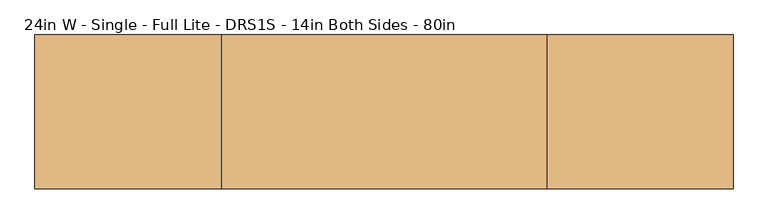
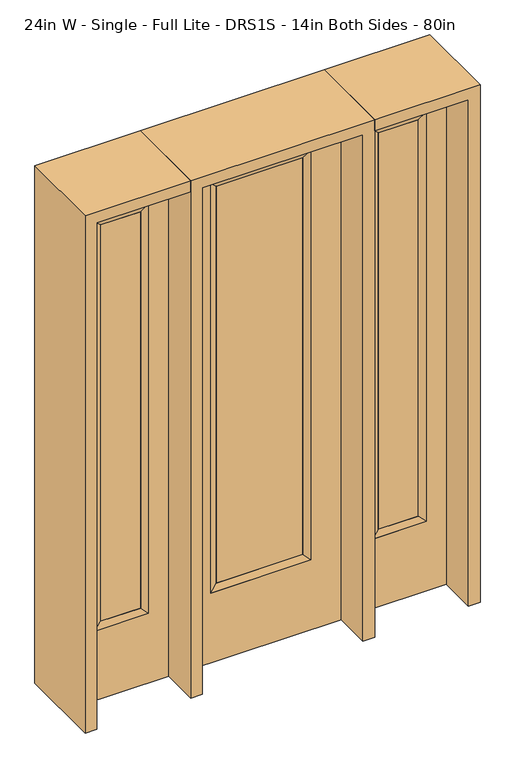
"""IFC4 building model written with IfcOpenShell, lengths in millimetres: door geometry, 24in W - Single - Full Lite - DRS1S - 14in Both Sides - 80in."""

from ifc_helpers import new_model, si_unit, frame, origin, place, context, project, spatial, polyline, outline, extrude, faceted_brep, source, transform, mapped, element, save


def door_24in_w_single_full_lite_drs1s_14in_both_sides_80in_7856f430(model_context):
    return source(origin(), model_context, "Body", "SolidModel", [
        extrude(outline(polyline([(163.9824, -12.7039749), (-163.9824, -12.7039749), (-163.9824, 14.2875), (163.9824, 14.2875), (163.9824, -12.7039749)])), frame((0.0, 0.0, 304.8), z_axis=(0.0, 0.0, 1.0), x_axis=(1.0, 0.0, 0.0)), (0.0, 0.0, 1.0), 1591.1576),
        faceted_brep([(163.9824, 14.2875, 1895.9576), (189.3824, 22.225, 1921.3576), (189.3824, 22.225, 279.4), (163.9824, 14.2875, 304.8), (189.3824, -22.225, 1921.3576), (189.3824, -22.225, 279.4), (-189.3824, 22.225, 279.4), (-163.9824, 14.2875, 304.8), (163.9824, -12.7039749, 1895.9576), (163.9824, -12.7039749, 304.8), (-163.9824, -12.7039749, 304.8), (-189.3824, -22.225, 279.4), (-189.3824, 22.225, 1921.3576), (-163.9824, 14.2875, 1895.9576), (-163.9824, -12.7039749, 1895.9576), (-189.3824, -22.225, 1921.3576)], [[[0, 1, 2, 3]], [[1, 4, 5, 2]], [[3, 2, 6, 7]], [[8, 0, 3, 9]], [[9, 3, 7, 10]], [[4, 8, 9, 5]], [[5, 9, 10, 11]], [[2, 5, 11, 6]], [[7, 6, 12, 13]], [[10, 7, 13, 14]], [[11, 10, 14, 15]], [[6, 11, 15, 12]], [[13, 12, 1, 0]], [[14, 13, 0, 8]], [[15, 14, 8, 4]], [[12, 15, 4, 1]]]),
        extrude(outline(polyline([(0.0, -304.8), (0.0, 304.8), (2032.0, 304.8), (2032.0, -304.8), (0.0, -304.8)]), holes=[polyline([(279.4, -189.3824), (1921.3576, -189.3824), (1921.3576, 189.3824), (279.4, 189.3824), (279.4, -189.3824)])]), frame((0.0, -22.225, 0.0), z_axis=(0.0, 1.0, 0.0), x_axis=(0.0, 0.0, 1.0)), (0.0, 0.0, 1.0), 44.45),
        faceted_brep([(425.45, 20.6375, 1920.875), (425.45, 20.6375, 279.4), (425.45, -20.6375, 279.4), (425.45, -20.6375, 1920.875), (450.85, -12.7, 304.8), (450.85, -12.7, 1895.475), (628.65, 20.6375, 279.4), (628.65, -20.6375, 279.4), (450.85, 12.7, 1895.475), (450.85, 12.7, 304.8), (603.25, 12.7, 304.8), (603.25, -12.7, 304.8), (628.65, 20.6375, 1920.875), (628.65, -20.6375, 1920.875), (603.25, 12.7, 1895.475), (603.25, -12.7, 1895.475)], [[[0, 1, 2, 3]], [[3, 2, 4, 5]], [[1, 6, 7, 2]], [[8, 9, 1, 0]], [[9, 10, 6, 1]], [[5, 4, 9, 8]], [[4, 11, 10, 9]], [[2, 7, 11, 4]], [[6, 12, 13, 7]], [[10, 14, 12, 6]], [[11, 15, 14, 10]], [[7, 13, 15, 11]], [[12, 0, 3, 13]], [[14, 8, 0, 12]], [[15, 5, 8, 14]], [[13, 3, 5, 15]]]),
        extrude(outline(polyline([(0.0, 704.85), (2032.0, 704.85), (2032.0, 349.25), (0.0, 349.25), (0.0, 704.85)]), holes=[polyline([(1920.875, 425.45), (1920.875, 628.65), (279.4, 628.65), (279.4, 425.45), (1920.875, 425.45)])]), frame((0.0, -20.6375, 0.0), z_axis=(0.0, 1.0, 0.0), x_axis=(0.0, 0.0, 1.0)), (0.0, 0.0, 1.0), 41.275),
        extrude(outline(polyline([(450.85, -12.7), (450.85, 12.7), (603.25, 12.7), (603.25, -12.7), (450.85, -12.7)])), frame((0.0, 0.0, 304.8), z_axis=(0.0, 0.0, 1.0), x_axis=(1.0, 0.0, 0.0)), (0.0, 0.0, 1.0), 1590.675),
        faceted_brep([(-425.45, 20.6375, 1920.875), (-425.45, -20.6375, 1920.875), (-425.45, -20.6375, 279.4), (-425.45, 20.6375, 279.4), (-450.85, -12.7, 1895.475), (-450.85, -12.7, 304.8), (-628.65, -20.6375, 279.4), (-628.65, 20.6375, 279.4), (-450.85, 12.7, 1895.475), (-450.85, 12.7, 304.8), (-603.25, 12.7, 304.8), (-603.25, -12.7, 304.8), (-628.65, -20.6375, 1920.875), (-628.65, 20.6375, 1920.875), (-603.25, 12.7, 1895.475), (-603.25, -12.7, 1895.475)], [[[0, 1, 2, 3]], [[1, 4, 5, 2]], [[3, 2, 6, 7]], [[8, 0, 3, 9]], [[9, 3, 7, 10]], [[4, 8, 9, 5]], [[5, 9, 10, 11]], [[2, 5, 11, 6]], [[7, 6, 12, 13]], [[10, 7, 13, 14]], [[11, 10, 14, 15]], [[6, 11, 15, 12]], [[13, 12, 1, 0]], [[14, 13, 0, 8]], [[15, 14, 8, 4]], [[12, 15, 4, 1]]]),
        extrude(outline(polyline([(0.0, -704.85), (0.0, -349.25), (2032.0, -349.25), (2032.0, -704.85), (0.0, -704.85)]), holes=[polyline([(1920.875, -425.45), (279.4, -425.45), (279.4, -628.65), (1920.875, -628.65), (1920.875, -425.45)])]), frame((0.0, -20.6375, 0.0), z_axis=(0.0, 1.0, 0.0), x_axis=(0.0, 0.0, 1.0)), (0.0, 0.0, 1.0), 41.275),
        extrude(outline(polyline([(-450.85, -12.7), (-603.25, -12.7), (-603.25, 12.7), (-450.85, 12.7), (-450.85, -12.7)])), frame((0.0, 0.0, 304.8), z_axis=(0.0, 0.0, 1.0), x_axis=(1.0, 0.0, 0.0)), (0.0, 0.0, 1.0), 1590.675),
        extrude(outline(polyline([(2032.0, -349.25), (2076.45, -349.25), (2076.45, -749.3), (0.0, -749.3), (0.0, -704.85), (2032.0, -704.85), (2032.0, -349.25)])), frame((0.0, -165.1, 0.0), z_axis=(0.0, 1.0, 0.0), x_axis=(0.0, 0.0, 1.0)), (0.0, 0.0, 1.0), 330.2),
        extrude(outline(polyline([(2076.45, -349.25), (0.0, -349.25), (0.0, -304.8), (2032.0, -304.8), (2032.0, 304.8), (0.0, 304.8), (0.0, 349.25), (2076.45, 349.25), (2076.45, -349.25)])), frame((0.0, -165.1, 0.0), z_axis=(0.0, 1.0, 0.0), x_axis=(0.0, 0.0, 1.0)), (0.0, 0.0, 1.0), 330.2),
        extrude(outline(polyline([(0.0, 704.85), (0.0, 749.3), (2076.45, 749.3), (2076.45, 349.25), (2032.0, 349.25), (2032.0, 704.85), (0.0, 704.85)])), frame((0.0, -165.1, 0.0), z_axis=(0.0, 1.0, 0.0), x_axis=(0.0, 0.0, 1.0)), (0.0, 0.0, 1.0), 330.2),
    ])


if __name__ == "__main__":
    model = new_model("IFC4")
    model_context = context("Model", 3, world=origin())
    ifc_project = project(units=[si_unit("LENGTHUNIT", "METRE", prefix="MILLI")], contexts=[model_context])
    site = spatial("IfcSite", under=ifc_project)
    building = spatial("IfcBuilding", under=site)
    placement = place(None, origin())
    door_24in_w_single_full_lite_drs1s_14in_both_sides_80in_shape = door_24in_w_single_full_lite_drs1s_14in_both_sides_80in_7856f430(model_context)
    element("IfcDoor", 1, ObjectType="24in W - Single - Full Lite - DRS1S - 14in Both Sides - 80in", at=placement, inside=building, context=model_context, shape_type="MappedRepresentation", body=[
        mapped(door_24in_w_single_full_lite_drs1s_14in_both_sides_80in_shape, transform((0.0, 0.0, 0.0), x_axis=(1.0, 0.0, 0.0), y_axis=(0.0, 1.0, 0.0), z_axis=(0.0, 0.0, 1.0))),
    ])
    save(model, "model.ifc")
